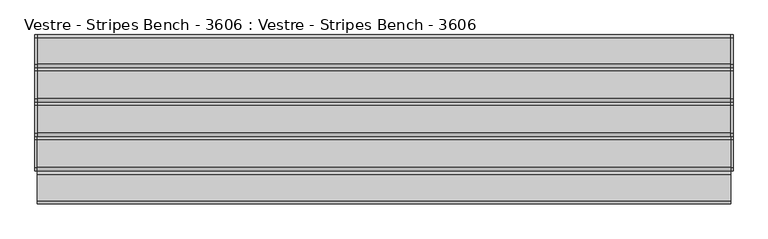
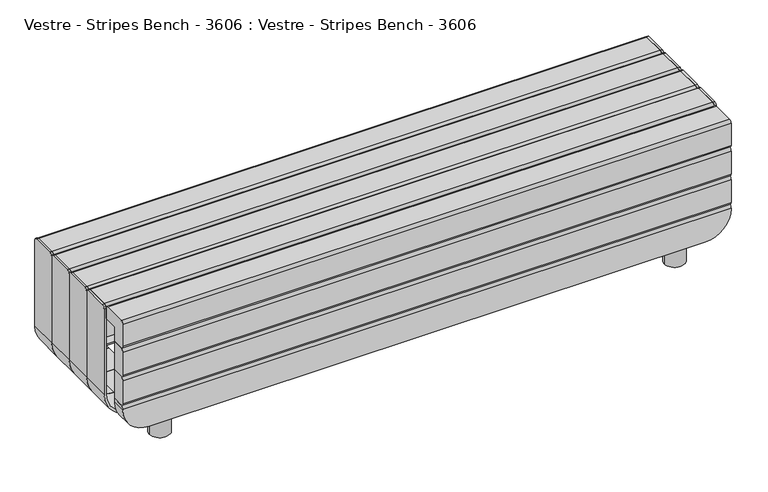
"""IFC4 building model written with IfcOpenShell, lengths in millimetres: furniture geometry, Vestre - Stripes Bench - 3606 : Vestre - Stripes Bench - 3606."""

from ifc_helpers import new_model, si_unit, point, frame, frame_2d, origin, origin_with_axes, place, context, project, spatial, polyline, circle_curve, trimmed, segment, composite_curve, outline, extrude, source, transform, mapped, element, save
from ifc_brep_helpers import plane_surface, cylinder_surface, revolved_surface, advanced_brep


def vestre_stripes_bench_3606_vestre_stripes_bench_3606_0bc6d64b(model_context):
    return source(origin(), model_context, "Body", "SolidModel", [
        extrude(outline(composite_curve([segment(trimmed(circle_curve(frame_2d((-748.3623867, 165.8822586)), 30.0), [point((-778.3623867, 165.8822586))], [point((-718.3623867, 165.8822586))], False, "CARTESIAN"), True, "CONTINUOUS"), segment(trimmed(circle_curve(frame_2d((-748.3623867, 165.8822586)), 30.0), [point((-718.3623867, 165.8822586))], [point((-778.3623867, 165.8822586))], False, "CARTESIAN"), True, "CONTINUOUS")], self_intersect=False)), origin_with_axes(), (0.0, 0.0, 1.0), 60.0000274),
        extrude(outline(composite_curve([segment(trimmed(circle_curve(frame_2d((-748.3623867, -165.8822586)), 30.0), [point((-778.3623867, -165.8822586))], [point((-718.3623867, -165.8822586))], False, "CARTESIAN"), True, "CONTINUOUS"), segment(trimmed(circle_curve(frame_2d((-748.3623867, -165.8822586)), 30.0), [point((-718.3623867, -165.8822586))], [point((-778.3623867, -165.8822586))], False, "CARTESIAN"), True, "CONTINUOUS")], self_intersect=False)), origin_with_axes(), (0.0, 0.0, 1.0), 60.0000274),
        extrude(outline(composite_curve([segment(trimmed(circle_curve(frame_2d((748.3623867, 165.8822586)), 30.0), [point((778.3623867, 165.8822586))], [point((718.3623867, 165.8822586))], False, "CARTESIAN"), True, "CONTINUOUS"), segment(trimmed(circle_curve(frame_2d((748.3623867, 165.8822586)), 30.0), [point((718.3623867, 165.8822586))], [point((778.3623867, 165.8822586))], False, "CARTESIAN"), True, "CONTINUOUS")], self_intersect=False)), origin_with_axes(), (0.0, 0.0, 1.0), 60.0000274),
        extrude(outline(composite_curve([segment(trimmed(circle_curve(frame_2d((748.3623867, -165.8822586)), 30.0), [point((778.3623867, -165.8822586))], [point((718.3623867, -165.8822586))], False, "CARTESIAN"), True, "CONTINUOUS"), segment(trimmed(circle_curve(frame_2d((748.3623867, -165.8822586)), 30.0), [point((718.3623867, -165.8822586))], [point((778.3623867, -165.8822586))], False, "CARTESIAN"), True, "CONTINUOUS")], self_intersect=False)), origin_with_axes(), (0.0, 0.0, 1.0), 60.0000274),
        advanced_brep(
        [(-890.0, 132.0, 140.0000274), (-810.0, 132.0, 60.0000274), (-723.4228799, 132.0, 60.0000274), (-723.4228799, 132.0, 66.0000274), (-809.0, 132.0, 66.0000274), (-884.0, 132.0, 141.0000274), (-884.0, 132.0, 403.9888108), (-890.0, 132.0, 403.9888108), (809.0262801, 132.0, 60.0000274), (890.0, 132.0, 140.9737473), (890.0, 132.0, 403.9888108), (884.0, 132.0, 403.9888108), (884.0, 132.0, 141.0000274), (809.0, 132.0, 66.0000274), (730.7574318, 132.0, 66.0000274), (730.7574318, 132.0, 60.0000274), (-884.0, 216.0, 141.0000274), (-809.0, 216.0, 66.0000274), (809.0, 216.0, 66.0000274), (884.0, 216.0, 141.0000274), (884.0, 216.0, 404.9807049), (890.0, 216.0, 404.9807049), (890.0, 216.0, 140.9737473), (809.0262801, 216.0, 60.0000274), (-810.0, 216.0, 60.0000274), (-890.0, 216.0, 140.0000274), (-890.0, 216.0, 404.9807049), (-884.0, 216.0, 404.9807049), (730.7574318, 150.6063449, 60.0000274), (-723.4228799, 150.6063449, 60.0000274), (890.0, 207.982791, 412.9979139), (890.0, 141.0091031, 412.9979139), (884.0, 141.0091031, 412.9979139), (884.0, 207.982791, 412.9979139), (-723.4228799, 150.6063449, 66.0000274), (730.7574318, 150.6063449, 66.0000274), (-884.0, 207.982791, 412.9979139), (-884.0, 141.0091031, 412.9979139), (-890.0, 141.0091031, 412.9979139), (-890.0, 207.982791, 412.9979139)],
        [
            (0, 1, circle_curve(frame((-810.0, 132.0, 140.0000274), z_axis=(0.0, -1.0, 0.0), x_axis=(1.0, 0.0, 0.0)), 80.0)),
            (1, 2),
            (2, 3),
            (3, 4),
            (4, 5, circle_curve(frame((-809.0, 132.0, 141.0000274), z_axis=(0.0, 1.0, 0.0), x_axis=(1.0, 0.0, 0.0)), 75.0)),
            (5, 6),
            (6, 7),
            (7, 0),
            (8, 9, circle_curve(frame((809.0262801, 132.0, 140.9737473), z_axis=(0.0, -1.0, 0.0), x_axis=(1.0, 0.0, 0.0)), 80.9737199)),
            (9, 10),
            (10, 11),
            (11, 12),
            (12, 13, circle_curve(frame((809.0, 132.0, 141.0000274), z_axis=(0.0, 1.0, 0.0), x_axis=(1.0, 0.0, 0.0)), 75.0)),
            (13, 14),
            (14, 15),
            (15, 8),
            (16, 17, circle_curve(frame((-809.0, 216.0, 141.0000274), z_axis=(0.0, -1.0, 0.0), x_axis=(1.0, 0.0, 0.0)), 75.0)),
            (17, 18),
            (18, 19, circle_curve(frame((809.0, 216.0, 141.0000274), z_axis=(0.0, -1.0, 0.0), x_axis=(1.0, 0.0, 0.0)), 75.0)),
            (19, 20),
            (20, 21),
            (21, 22),
            (22, 23, circle_curve(frame((809.0262801, 216.0, 140.9737473), z_axis=(0.0, 1.0, 0.0), x_axis=(1.0, 0.0, 0.0)), 80.9737199)),
            (23, 24),
            (24, 25, circle_curve(frame((-810.0, 216.0, 140.0000274), z_axis=(0.0, 1.0, 0.0), x_axis=(1.0, 0.0, 0.0)), 80.0)),
            (25, 26),
            (26, 27),
            (27, 16),
            (0, 25),
            (24, 1),
            (23, 8),
            (15, 28),
            (28, 29),
            (29, 2),
            (22, 9),
            (21, 30, circle_curve(frame((890.0, 207.982791, 404.9807049), z_axis=(1.0, 0.0, 0.0), x_axis=(0.0, 1.0, 0.0)), 8.017209)),
            (30, 31),
            (31, 10, circle_curve(frame((890.0, 141.0091031, 403.9888108), z_axis=(1.0, 0.0, 0.0), x_axis=(0.0, 1.0, 0.0)), 9.0091031)),
            (19, 12),
            (11, 32, circle_curve(frame((884.0, 141.0091031, 403.9888108), z_axis=(-1.0, 0.0, 0.0), x_axis=(0.0, 1.0, 0.0)), 9.0091031)),
            (32, 33),
            (33, 20, circle_curve(frame((884.0, 207.982791, 404.9807049), z_axis=(-1.0, 0.0, 0.0), x_axis=(0.0, 1.0, 0.0)), 8.017209)),
            (18, 13),
            (17, 4),
            (3, 34),
            (34, 35),
            (35, 14),
            (16, 5),
            (27, 36, circle_curve(frame((-884.0, 207.982791, 404.9807049), z_axis=(1.0, 0.0, 0.0), x_axis=(0.0, 1.0, 0.0)), 8.017209)),
            (36, 37),
            (37, 6, circle_curve(frame((-884.0, 141.0091031, 403.9888108), z_axis=(1.0, 0.0, 0.0), x_axis=(0.0, 1.0, 0.0)), 9.0091031)),
            (7, 38, circle_curve(frame((-890.0, 141.0091031, 403.9888108), z_axis=(-1.0, 0.0, 0.0), x_axis=(0.0, 1.0, 0.0)), 9.0091031)),
            (38, 39),
            (39, 26, circle_curve(frame((-890.0, 207.982791, 404.9807049), z_axis=(-1.0, 0.0, 0.0), x_axis=(0.0, 1.0, 0.0)), 8.017209)),
            (32, 31),
            (30, 33),
            (38, 37),
            (36, 39),
            (35, 28),
            (34, 29),
        ],
        [
            plane_surface(frame((-730.0, 132.0, 140.0000274), z_axis=(0.0, -1.0, 0.0), x_axis=(0.0, 0.0, 1.0))),
            plane_surface(frame((-730.0, 216.0, 140.0000274), z_axis=(0.0, 1.0, 0.0), x_axis=(0.0, 0.0, -1.0))),
            cylinder_surface(frame((-810.0, 216.0, 140.0000274), z_axis=(0.0, -1.0, 0.0), x_axis=(1.0, 0.0, 0.0)), 80.0),
            plane_surface(frame((-810.0, 132.0, 60.0000274), z_axis=(0.0, 0.0, -1.0), x_axis=(0.0, 1.0, 0.0))),
            cylinder_surface(frame((809.0262801, 216.0, 140.9737473), z_axis=(0.0, -1.0, 0.0), x_axis=(1.0, 0.0, 0.0)), 80.9737199),
            plane_surface(frame((890.0, 132.0, 140.9737473), z_axis=(1.0, 0.0, 0.0), x_axis=(0.0, 1.0, 0.0))),
            plane_surface(frame((884.0, 132.0, 415.1651333), z_axis=(-1.0, 0.0, 0.0), x_axis=(0.0, 1.0, 0.0))),
            revolved_surface(polyline([(884.0, 216.0, 141.0000274), (884.0, 132.0, 141.0000274)]), (809.0, 216.0, 141.0000274), (0.0, 1.0, 0.0)),
            plane_surface(frame((809.0, 132.0, 66.0000274), z_axis=(0.0, 0.0, 1.0), x_axis=(0.0, 1.0, 0.0))),
            revolved_surface(polyline([(-734.0, 216.0, 141.0000274), (-734.0, 132.0, 141.0000274)]), (-809.0, 216.0, 141.0000274), (0.0, 1.0, 0.0)),
            plane_surface(frame((-884.0, 132.0, 141.0000274), z_axis=(1.0, 0.0, 0.0), x_axis=(0.0, 1.0, 0.0))),
            plane_surface(frame((-890.0, 132.0, 416.0000274), z_axis=(-1.0, 0.0, 0.0), x_axis=(0.0, 1.0, 0.0))),
            plane_surface(frame((912.0976319, 141.0091031, 412.9979139), z_axis=(0.0, 0.0, 1.0), x_axis=(-1.0, 0.0, 0.0))),
            cylinder_surface(frame((-908.1810002, 207.982791, 404.9807049), z_axis=(-1.0, 0.0, 0.0), x_axis=(0.0, 1.0, 0.0)), 8.017209),
            cylinder_surface(frame((-908.1810002, 141.0091031, 403.9888108), z_axis=(-1.0, 0.0, 0.0), x_axis=(0.0, 1.0, 0.0)), 9.0091031),
            plane_surface(frame((730.7574318, -161.7936543, 82.4921718), z_axis=(-1.0, 0.0, 0.0), x_axis=(0.0, 0.0, -1.0))),
            plane_surface(frame((730.7574318, 150.6063449, 82.4921718), z_axis=(0.0, -1.0, 0.0), x_axis=(0.0, 0.0, -1.0))),
            plane_surface(frame((-723.4228799, 150.6063449, 82.4921718), z_axis=(1.0, 0.0, 0.0), x_axis=(0.0, 0.0, -1.0))),
        ],
        [
            (0, [[1, 2, 3, 4, 5, 6, 7, 8]]),
            (0, [[9, 10, 11, 12, 13, 14, 15, 16]]),
            (1, [[17, 18, 19, 20, 21, 22, 23, 24, 25, 26, 27, 28]]),
            (2, [[-1, 29, -25, 30]]),
            (3, [[-24, 31, -16, 32, 33, 34, -2, -30]]),
            (4, [[-9, -31, -23, 35]]),
            (5, [[-35, -22, 36, 37, 38, -10]]),
            (6, [[39, -12, 40, 41, 42, -20]]),
            (7, [[-13, -39, -19, 43]]),
            (8, [[-18, 44, -4, 45, 46, 47, -14, -43]]),
            (9, [[-5, -44, -17, 48]]),
            (10, [[-48, -28, 49, 50, 51, -6]]),
            (11, [[-29, -8, 52, 53, 54, -26]]),
            (12, [[55, -37, 56, -41]]),
            (12, [[57, -50, 58, -53]]),
            (13, [[-56, -36, -21, -42]]),
            (13, [[-58, -49, -27, -54]]),
            (14, [[-55, -40, -11, -38]]),
            (14, [[-57, -52, -7, -51]]),
            (15, [[59, -32, -15, -47]]),
            (16, [[-59, -46, 60, -33]]),
            (17, [[-60, -45, -3, -34]]),
        ],
    ),
        advanced_brep(
        [(-890.0, 44.0, 140.0000274), (-810.0, 44.0, 60.0000274), (-723.4228799, 44.0, 60.0000274), (-723.4228799, 44.0, 66.0000274), (-809.0, 44.0, 66.0000274), (-884.0, 44.0, 141.0000274), (-884.0, 44.0, 403.9888108), (-890.0, 44.0, 403.9888108), (-884.0, 132.0, 141.0000274), (-809.0, 132.0, 66.0000274), (-723.4228799, 132.0, 66.0000274), (-723.4228799, 132.0, 60.0000274), (-810.0, 132.0, 60.0000274), (-890.0, 132.0, 140.0000274), (-890.0, 132.0, 403.9888108), (-890.0, 132.0, 404.9807049), (-884.0, 132.0, 404.9807049), (-884.0, 132.0, 403.9888108), (-884.0, 123.982791, 412.9979139), (-884.0, 53.0091031, 412.9979139), (-890.0, 53.0091031, 412.9979139), (-890.0, 123.982791, 412.9979139)],
        [
            (0, 1, circle_curve(frame((-810.0, 44.0, 140.0000274), z_axis=(0.0, -1.0, 0.0), x_axis=(1.0, 0.0, 0.0)), 80.0)),
            (1, 2),
            (2, 3),
            (3, 4),
            (4, 5, circle_curve(frame((-809.0, 44.0, 141.0000274), z_axis=(0.0, 1.0, 0.0), x_axis=(1.0, 0.0, 0.0)), 75.0)),
            (5, 6),
            (6, 7),
            (7, 0),
            (8, 9, circle_curve(frame((-809.0, 132.0, 141.0000274), z_axis=(0.0, -1.0, 0.0), x_axis=(1.0, 0.0, 0.0)), 75.0)),
            (9, 10),
            (10, 11),
            (11, 12),
            (12, 13, circle_curve(frame((-810.0, 132.0, 140.0000274), z_axis=(0.0, 1.0, 0.0), x_axis=(1.0, 0.0, 0.0)), 80.0)),
            (13, 14),
            (14, 15),
            (15, 16),
            (16, 17),
            (17, 8),
            (0, 13),
            (12, 1),
            (11, 2),
            (9, 4),
            (3, 10),
            (8, 5),
            (16, 18, circle_curve(frame((-884.0, 123.982791, 404.9807049), z_axis=(1.0, 0.0, 0.0), x_axis=(0.0, 1.0, 0.0)), 8.017209)),
            (18, 19),
            (19, 6, circle_curve(frame((-884.0, 53.0091031, 403.9888108), z_axis=(1.0, 0.0, 0.0), x_axis=(0.0, 1.0, 0.0)), 9.0091031)),
            (7, 20, circle_curve(frame((-890.0, 53.0091031, 403.9888108), z_axis=(-1.0, 0.0, 0.0), x_axis=(0.0, 1.0, 0.0)), 9.0091031)),
            (20, 21),
            (21, 15, circle_curve(frame((-890.0, 123.982791, 404.9807049), z_axis=(-1.0, 0.0, 0.0), x_axis=(0.0, 1.0, 0.0)), 8.017209)),
            (20, 19),
            (18, 21),
        ],
        [
            plane_surface(frame((-730.0, 44.0, 140.0000274), z_axis=(0.0, -1.0, 0.0), x_axis=(0.0, 0.0, 1.0))),
            plane_surface(frame((-730.0, 132.0, 140.0000274), z_axis=(0.0, 1.0, 0.0), x_axis=(0.0, 0.0, -1.0))),
            cylinder_surface(frame((-810.0, 132.0, 140.0000274), z_axis=(0.0, -1.0, 0.0), x_axis=(1.0, 0.0, 0.0)), 80.0),
            plane_surface(frame((-810.0, 44.0, 60.0000274), z_axis=(0.0, 0.0, -1.0), x_axis=(0.0, 1.0, 0.0))),
            plane_surface(frame((809.0, 44.0, 66.0000274), z_axis=(0.0, 0.0, 1.0), x_axis=(0.0, 1.0, 0.0))),
            revolved_surface(polyline([(-734.0, 132.0, 141.0000274), (-734.0, 44.0, 141.0000274)]), (-809.0, 132.0, 141.0000274), (0.0, 1.0, 0.0)),
            plane_surface(frame((-884.0, 44.0, 141.0000274), z_axis=(1.0, 0.0, 0.0), x_axis=(0.0, 1.0, 0.0))),
            plane_surface(frame((-890.0, 44.0, 416.0000274), z_axis=(-1.0, 0.0, 0.0), x_axis=(0.0, 1.0, 0.0))),
            plane_surface(frame((912.0976319, 53.0091031, 412.9979139), z_axis=(0.0, 0.0, 1.0), x_axis=(-1.0, 0.0, 0.0))),
            cylinder_surface(frame((-908.1810002, 123.982791, 404.9807049), z_axis=(-1.0, 0.0, 0.0), x_axis=(0.0, 1.0, 0.0)), 8.017209),
            cylinder_surface(frame((-908.1810002, 53.0091031, 403.9888108), z_axis=(-1.0, 0.0, 0.0), x_axis=(0.0, 1.0, 0.0)), 9.0091031),
            plane_surface(frame((-723.4228799, 150.6063449, 82.4921718), z_axis=(1.0, 0.0, 0.0), x_axis=(0.0, 0.0, -1.0))),
        ],
        [
            (0, [[1, 2, 3, 4, 5, 6, 7, 8]]),
            (1, [[9, 10, 11, 12, 13, 14, 15, 16, 17, 18]]),
            (2, [[-1, 19, -13, 20]]),
            (3, [[-20, -12, 21, -2]]),
            (4, [[22, -4, 23, -10]]),
            (5, [[-5, -22, -9, 24]]),
            (6, [[-24, -18, -17, 25, 26, 27, -6]]),
            (7, [[-19, -8, 28, 29, 30, -15, -14]]),
            (8, [[31, -26, 32, -29]]),
            (9, [[-32, -25, -16, -30]]),
            (10, [[-31, -28, -7, -27]]),
            (11, [[-3, -21, -11, -23]]),
        ],
    ),
        advanced_brep(
        [(809.0262801, 44.0, 60.0000274), (890.0, 44.0, 140.9737473), (890.0, 44.0, 403.9888108), (884.0, 44.0, 403.9888108), (884.0, 44.0, 141.0000274), (809.0, 44.0, 66.0000274), (730.7574318, 44.0, 66.0000274), (730.7574318, 44.0, 60.0000274), (809.0, 132.0, 66.0000274), (884.0, 132.0, 141.0000274), (884.0, 132.0, 403.9888108), (884.0, 132.0, 404.9807049), (890.0, 132.0, 404.9807049), (890.0, 132.0, 403.9888108), (890.0, 132.0, 140.9737473), (809.0262801, 132.0, 60.0000274), (730.7574318, 132.0, 60.0000274), (730.7574318, 132.0, 66.0000274), (890.0, 123.982791, 412.9979139), (890.0, 53.0091031, 412.9979139), (884.0, 53.0091031, 412.9979139), (884.0, 123.982791, 412.9979139)],
        [
            (0, 1, circle_curve(frame((809.0262801, 44.0, 140.9737473), z_axis=(0.0, -1.0, 0.0), x_axis=(1.0, 0.0, 0.0)), 80.9737199)),
            (1, 2),
            (2, 3),
            (3, 4),
            (4, 5, circle_curve(frame((809.0, 44.0, 141.0000274), z_axis=(0.0, 1.0, 0.0), x_axis=(1.0, 0.0, 0.0)), 75.0)),
            (5, 6),
            (6, 7),
            (7, 0),
            (8, 9, circle_curve(frame((809.0, 132.0, 141.0000274), z_axis=(0.0, -1.0, 0.0), x_axis=(1.0, 0.0, 0.0)), 75.0)),
            (9, 10),
            (10, 11),
            (11, 12),
            (12, 13),
            (13, 14),
            (14, 15, circle_curve(frame((809.0262801, 132.0, 140.9737473), z_axis=(0.0, 1.0, 0.0), x_axis=(1.0, 0.0, 0.0)), 80.9737199)),
            (15, 16),
            (16, 17),
            (17, 8),
            (15, 0),
            (7, 16),
            (14, 1),
            (12, 18, circle_curve(frame((890.0, 123.982791, 404.9807049), z_axis=(1.0, 0.0, 0.0), x_axis=(0.0, 1.0, 0.0)), 8.017209)),
            (18, 19),
            (19, 2, circle_curve(frame((890.0, 53.0091031, 403.9888108), z_axis=(1.0, 0.0, 0.0), x_axis=(0.0, 1.0, 0.0)), 9.0091031)),
            (9, 4),
            (3, 20, circle_curve(frame((884.0, 53.0091031, 403.9888108), z_axis=(-1.0, 0.0, 0.0), x_axis=(0.0, 1.0, 0.0)), 9.0091031)),
            (20, 21),
            (21, 11, circle_curve(frame((884.0, 123.982791, 404.9807049), z_axis=(-1.0, 0.0, 0.0), x_axis=(0.0, 1.0, 0.0)), 8.017209)),
            (8, 5),
            (17, 6),
            (20, 19),
            (18, 21),
        ],
        [
            plane_surface(frame((-730.0, 44.0, 140.0000274), z_axis=(0.0, -1.0, 0.0), x_axis=(0.0, 0.0, 1.0))),
            plane_surface(frame((-730.0, 132.0, 140.0000274), z_axis=(0.0, 1.0, 0.0), x_axis=(0.0, 0.0, -1.0))),
            plane_surface(frame((-810.0, 44.0, 60.0000274), z_axis=(0.0, 0.0, -1.0), x_axis=(0.0, 1.0, 0.0))),
            cylinder_surface(frame((809.0262801, 132.0, 140.9737473), z_axis=(0.0, -1.0, 0.0), x_axis=(1.0, 0.0, 0.0)), 80.9737199),
            plane_surface(frame((890.0, 44.0, 140.9737473), z_axis=(1.0, 0.0, 0.0), x_axis=(0.0, 1.0, 0.0))),
            plane_surface(frame((884.0, 44.0, 415.1651333), z_axis=(-1.0, 0.0, 0.0), x_axis=(0.0, 1.0, 0.0))),
            revolved_surface(polyline([(884.0, 132.0, 141.0000274), (884.0, 44.0, 141.0000274)]), (809.0, 132.0, 141.0000274), (0.0, 1.0, 0.0)),
            plane_surface(frame((809.0, 44.0, 66.0000274), z_axis=(0.0, 0.0, 1.0), x_axis=(0.0, 1.0, 0.0))),
            plane_surface(frame((912.0976319, 53.0091031, 412.9979139), z_axis=(0.0, 0.0, 1.0), x_axis=(-1.0, 0.0, 0.0))),
            cylinder_surface(frame((-908.1810002, 123.982791, 404.9807049), z_axis=(-1.0, 0.0, 0.0), x_axis=(0.0, 1.0, 0.0)), 8.017209),
            cylinder_surface(frame((-908.1810002, 53.0091031, 403.9888108), z_axis=(-1.0, 0.0, 0.0), x_axis=(0.0, 1.0, 0.0)), 9.0091031),
            plane_surface(frame((730.7574318, -161.7936543, 82.4921718), z_axis=(-1.0, 0.0, 0.0), x_axis=(0.0, 0.0, -1.0))),
        ],
        [
            (0, [[1, 2, 3, 4, 5, 6, 7, 8]]),
            (1, [[9, 10, 11, 12, 13, 14, 15, 16, 17, 18]]),
            (2, [[19, -8, 20, -16]]),
            (3, [[-1, -19, -15, 21]]),
            (4, [[-21, -14, -13, 22, 23, 24, -2]]),
            (5, [[25, -4, 26, 27, 28, -11, -10]]),
            (6, [[-5, -25, -9, 29]]),
            (7, [[-29, -18, 30, -6]]),
            (8, [[31, -23, 32, -27]]),
            (9, [[-32, -22, -12, -28]]),
            (10, [[-31, -26, -3, -24]]),
            (11, [[-7, -30, -17, -20]]),
        ],
    ),
        advanced_brep(
        [(-890.0, -44.0, 140.0000274), (-810.0, -44.0, 60.0000274), (-723.4228799, -44.0, 60.0000274), (-723.4228799, -44.0, 66.0000274), (-809.0, -44.0, 66.0000274), (-884.0, -44.0, 141.0000274), (-884.0, -44.0, 403.9888108), (-890.0, -44.0, 403.9888108), (-884.0, 44.0, 141.0000274), (-809.0, 44.0, 66.0000274), (-723.4228799, 44.0, 66.0000274), (-723.4228799, 44.0, 60.0000274), (-810.0, 44.0, 60.0000274), (-890.0, 44.0, 140.0000274), (-890.0, 44.0, 403.9888108), (-890.0, 44.0, 404.9807049), (-884.0, 44.0, 404.9807049), (-884.0, 44.0, 403.9888108), (-884.0, 35.982791, 412.9979139), (-884.0, -34.9908969, 412.9979139), (-890.0, -34.9908969, 412.9979139), (-890.0, 35.982791, 412.9979139)],
        [
            (0, 1, circle_curve(frame((-810.0, -44.0, 140.0000274), z_axis=(0.0, -1.0, 0.0), x_axis=(1.0, 0.0, 0.0)), 80.0)),
            (1, 2),
            (2, 3),
            (3, 4),
            (4, 5, circle_curve(frame((-809.0, -44.0, 141.0000274), z_axis=(0.0, 1.0, 0.0), x_axis=(1.0, 0.0, 0.0)), 75.0)),
            (5, 6),
            (6, 7),
            (7, 0),
            (8, 9, circle_curve(frame((-809.0, 44.0, 141.0000274), z_axis=(0.0, -1.0, 0.0), x_axis=(1.0, 0.0, 0.0)), 75.0)),
            (9, 10),
            (10, 11),
            (11, 12),
            (12, 13, circle_curve(frame((-810.0, 44.0, 140.0000274), z_axis=(0.0, 1.0, 0.0), x_axis=(1.0, 0.0, 0.0)), 80.0)),
            (13, 14),
            (14, 15),
            (15, 16),
            (16, 17),
            (17, 8),
            (0, 13),
            (12, 1),
            (11, 2),
            (9, 4),
            (3, 10),
            (8, 5),
            (16, 18, circle_curve(frame((-884.0, 35.982791, 404.9807049), z_axis=(1.0, 0.0, 0.0), x_axis=(0.0, 1.0, 0.0)), 8.017209)),
            (18, 19),
            (19, 6, circle_curve(frame((-884.0, -34.9908969, 403.9888108), z_axis=(1.0, 0.0, 0.0), x_axis=(0.0, 1.0, 0.0)), 9.0091031)),
            (7, 20, circle_curve(frame((-890.0, -34.9908969, 403.9888108), z_axis=(-1.0, 0.0, 0.0), x_axis=(0.0, 1.0, 0.0)), 9.0091031)),
            (20, 21),
            (21, 15, circle_curve(frame((-890.0, 35.982791, 404.9807049), z_axis=(-1.0, 0.0, 0.0), x_axis=(0.0, 1.0, 0.0)), 8.017209)),
            (20, 19),
            (18, 21),
        ],
        [
            plane_surface(frame((-730.0, -44.0, 140.0000274), z_axis=(0.0, -1.0, 0.0), x_axis=(0.0, 0.0, 1.0))),
            plane_surface(frame((-730.0, 44.0, 140.0000274), z_axis=(0.0, 1.0, 0.0), x_axis=(0.0, 0.0, -1.0))),
            cylinder_surface(frame((-810.0, 44.0, 140.0000274), z_axis=(0.0, -1.0, 0.0), x_axis=(1.0, 0.0, 0.0)), 80.0),
            plane_surface(frame((-810.0, -44.0, 60.0000274), z_axis=(0.0, 0.0, -1.0), x_axis=(0.0, 1.0, 0.0))),
            plane_surface(frame((809.0, -44.0, 66.0000274), z_axis=(0.0, 0.0, 1.0), x_axis=(0.0, 1.0, 0.0))),
            revolved_surface(polyline([(-734.0, 44.0, 141.0000274), (-734.0, -44.0, 141.0000274)]), (-809.0, 44.0, 141.0000274), (0.0, 1.0, 0.0)),
            plane_surface(frame((-884.0, -44.0, 141.0000274), z_axis=(1.0, 0.0, 0.0), x_axis=(0.0, 1.0, 0.0))),
            plane_surface(frame((-890.0, -44.0, 416.0000274), z_axis=(-1.0, 0.0, 0.0), x_axis=(0.0, 1.0, 0.0))),
            plane_surface(frame((912.0976319, -34.9908969, 412.9979139), z_axis=(0.0, 0.0, 1.0), x_axis=(-1.0, 0.0, 0.0))),
            cylinder_surface(frame((-908.1810002, 35.982791, 404.9807049), z_axis=(-1.0, 0.0, 0.0), x_axis=(0.0, 1.0, 0.0)), 8.017209),
            cylinder_surface(frame((-908.1810002, -34.9908969, 403.9888108), z_axis=(-1.0, 0.0, 0.0), x_axis=(0.0, 1.0, 0.0)), 9.0091031),
            plane_surface(frame((-723.4228799, 150.6063449, 82.4921718), z_axis=(1.0, 0.0, 0.0), x_axis=(0.0, 0.0, -1.0))),
        ],
        [
            (0, [[1, 2, 3, 4, 5, 6, 7, 8]]),
            (1, [[9, 10, 11, 12, 13, 14, 15, 16, 17, 18]]),
            (2, [[-1, 19, -13, 20]]),
            (3, [[-20, -12, 21, -2]]),
            (4, [[22, -4, 23, -10]]),
            (5, [[-5, -22, -9, 24]]),
            (6, [[-24, -18, -17, 25, 26, 27, -6]]),
            (7, [[-19, -8, 28, 29, 30, -15, -14]]),
            (8, [[31, -26, 32, -29]]),
            (9, [[-32, -25, -16, -30]]),
            (10, [[-31, -28, -7, -27]]),
            (11, [[-3, -21, -11, -23]]),
        ],
    ),
        advanced_brep(
        [(809.0262801, -44.0, 60.0000274), (890.0, -44.0, 140.9737473), (890.0, -44.0, 403.9888108), (884.0, -44.0, 403.9888108), (884.0, -44.0, 141.0000274), (809.0, -44.0, 66.0000274), (730.7574318, -44.0, 66.0000274), (730.7574318, -44.0, 60.0000274), (809.0, 44.0, 66.0000274), (884.0, 44.0, 141.0000274), (884.0, 44.0, 403.9888108), (884.0, 44.0, 404.9807049), (890.0, 44.0, 404.9807049), (890.0, 44.0, 403.9888108), (890.0, 44.0, 140.9737473), (809.0262801, 44.0, 60.0000274), (730.7574318, 44.0, 60.0000274), (730.7574318, 44.0, 66.0000274), (890.0, 35.982791, 412.9979139), (890.0, -34.9908969, 412.9979139), (884.0, -34.9908969, 412.9979139), (884.0, 35.982791, 412.9979139)],
        [
            (0, 1, circle_curve(frame((809.0262801, -44.0, 140.9737473), z_axis=(0.0, -1.0, 0.0), x_axis=(1.0, 0.0, 0.0)), 80.9737199)),
            (1, 2),
            (2, 3),
            (3, 4),
            (4, 5, circle_curve(frame((809.0, -44.0, 141.0000274), z_axis=(0.0, 1.0, 0.0), x_axis=(1.0, 0.0, 0.0)), 75.0)),
            (5, 6),
            (6, 7),
            (7, 0),
            (8, 9, circle_curve(frame((809.0, 44.0, 141.0000274), z_axis=(0.0, -1.0, 0.0), x_axis=(1.0, 0.0, 0.0)), 75.0)),
            (9, 10),
            (10, 11),
            (11, 12),
            (12, 13),
            (13, 14),
            (14, 15, circle_curve(frame((809.0262801, 44.0, 140.9737473), z_axis=(0.0, 1.0, 0.0), x_axis=(1.0, 0.0, 0.0)), 80.9737199)),
            (15, 16),
            (16, 17),
            (17, 8),
            (15, 0),
            (7, 16),
            (14, 1),
            (12, 18, circle_curve(frame((890.0, 35.982791, 404.9807049), z_axis=(1.0, 0.0, 0.0), x_axis=(0.0, 1.0, 0.0)), 8.017209)),
            (18, 19),
            (19, 2, circle_curve(frame((890.0, -34.9908969, 403.9888108), z_axis=(1.0, 0.0, 0.0), x_axis=(0.0, 1.0, 0.0)), 9.0091031)),
            (9, 4),
            (3, 20, circle_curve(frame((884.0, -34.9908969, 403.9888108), z_axis=(-1.0, 0.0, 0.0), x_axis=(0.0, 1.0, 0.0)), 9.0091031)),
            (20, 21),
            (21, 11, circle_curve(frame((884.0, 35.982791, 404.9807049), z_axis=(-1.0, 0.0, 0.0), x_axis=(0.0, 1.0, 0.0)), 8.017209)),
            (8, 5),
            (17, 6),
            (20, 19),
            (18, 21),
        ],
        [
            plane_surface(frame((-730.0, -44.0, 140.0000274), z_axis=(0.0, -1.0, 0.0), x_axis=(0.0, 0.0, 1.0))),
            plane_surface(frame((-730.0, 44.0, 140.0000274), z_axis=(0.0, 1.0, 0.0), x_axis=(0.0, 0.0, -1.0))),
            plane_surface(frame((-810.0, -44.0, 60.0000274), z_axis=(0.0, 0.0, -1.0), x_axis=(0.0, 1.0, 0.0))),
            cylinder_surface(frame((809.0262801, 44.0, 140.9737473), z_axis=(0.0, -1.0, 0.0), x_axis=(1.0, 0.0, 0.0)), 80.9737199),
            plane_surface(frame((890.0, -44.0, 140.9737473), z_axis=(1.0, 0.0, 0.0), x_axis=(0.0, 1.0, 0.0))),
            plane_surface(frame((884.0, -44.0, 415.1651333), z_axis=(-1.0, 0.0, 0.0), x_axis=(0.0, 1.0, 0.0))),
            revolved_surface(polyline([(884.0, 44.0, 141.0000274), (884.0, -44.0, 141.0000274)]), (809.0, 44.0, 141.0000274), (0.0, 1.0, 0.0)),
            plane_surface(frame((809.0, -44.0, 66.0000274), z_axis=(0.0, 0.0, 1.0), x_axis=(0.0, 1.0, 0.0))),
            plane_surface(frame((912.0976319, -34.9908969, 412.9979139), z_axis=(0.0, 0.0, 1.0), x_axis=(-1.0, 0.0, 0.0))),
            cylinder_surface(frame((-908.1810002, 35.982791, 404.9807049), z_axis=(-1.0, 0.0, 0.0), x_axis=(0.0, 1.0, 0.0)), 8.017209),
            cylinder_surface(frame((-908.1810002, -34.9908969, 403.9888108), z_axis=(-1.0, 0.0, 0.0), x_axis=(0.0, 1.0, 0.0)), 9.0091031),
            plane_surface(frame((730.7574318, -161.7936543, 82.4921718), z_axis=(-1.0, 0.0, 0.0), x_axis=(0.0, 0.0, -1.0))),
        ],
        [
            (0, [[1, 2, 3, 4, 5, 6, 7, 8]]),
            (1, [[9, 10, 11, 12, 13, 14, 15, 16, 17, 18]]),
            (2, [[19, -8, 20, -16]]),
            (3, [[-1, -19, -15, 21]]),
            (4, [[-21, -14, -13, 22, 23, 24, -2]]),
            (5, [[25, -4, 26, 27, 28, -11, -10]]),
            (6, [[-5, -25, -9, 29]]),
            (7, [[-29, -18, 30, -6]]),
            (8, [[31, -23, 32, -27]]),
            (9, [[-32, -22, -12, -28]]),
            (10, [[-31, -26, -3, -24]]),
            (11, [[-7, -30, -17, -20]]),
        ],
    ),
        advanced_brep(
        [(-884.0, -216.0, 141.0000274), (-884.0, -176.0082307, 141.0000274), (-809.0, -176.0082307, 66.0000274), (-809.0, -216.0, 66.0000274), (-884.0, -206.9908969, 152.9979139), (-884.0, -176.0082307, 152.9979139), (-884.0, -216.0, 143.9888108), (884.0, -206.9908969, 152.9979139), (884.0, -216.0, 143.9888108), (884.0, -216.0, 141.0000274), (884.0, -176.0082307, 141.0000274), (884.0, -176.0082307, 152.9979139), (809.0, -216.0, 66.0000274), (809.0, -176.0082307, 66.0000274)],
        [
            (0, 1),
            (1, 2, circle_curve(frame((-809.0, -176.0082307, 141.0000274), z_axis=(0.0, -1.0, 0.0), x_axis=(1.0, 0.0, 0.0)), 75.0)),
            (2, 3),
            (3, 0, circle_curve(frame((-809.0, -216.0, 141.0000274), z_axis=(0.0, 1.0, 0.0), x_axis=(1.0, 0.0, 0.0)), 75.0)),
            (4, 5),
            (5, 1),
            (0, 6),
            (6, 4, circle_curve(frame((-884.0, -206.9908969, 143.9888108), z_axis=(-1.0, 0.0, 0.0), x_axis=(0.0, 0.0, -1.0)), 9.0091031)),
            (7, 8, circle_curve(frame((884.0, -206.9908969, 143.9888108), z_axis=(1.0, 0.0, 0.0), x_axis=(0.0, 0.0, -1.0)), 9.0091031)),
            (8, 9),
            (9, 10),
            (10, 11),
            (11, 7),
            (6, 8),
            (7, 4),
            (3, 12),
            (12, 9, circle_curve(frame((809.0, -216.0, 141.0000274), z_axis=(0.0, -1.0, 0.0), x_axis=(1.0, 0.0, 0.0)), 75.0)),
            (2, 13),
            (13, 12),
            (5, 11),
            (10, 13, circle_curve(frame((809.0, -176.0082307, 141.0000274), z_axis=(0.0, 1.0, 0.0), x_axis=(1.0, 0.0, 0.0)), 75.0)),
        ],
        [
            cylinder_surface(frame((-809.0, 235.0336942, 141.0000274), z_axis=(0.0, 1.0, 0.0), x_axis=(1.0, 0.0, 0.0)), 75.0),
            plane_surface(frame((-884.0, -176.0082307, 152.9979139), z_axis=(-1.0, 0.0, 0.0), x_axis=(0.0, 1.0, 0.0))),
            plane_surface(frame((884.0, -176.0082307, 152.9979139), z_axis=(1.0, 0.0, 0.0), x_axis=(0.0, -1.0, 0.0))),
            cylinder_surface(frame((884.0, -206.9908969, 143.9888108), z_axis=(-1.0, 0.0, 0.0), x_axis=(0.0, 0.0, -1.0)), 9.0091031),
            plane_surface(frame((-884.0, -216.0, 66.0000274), z_axis=(0.0, -1.0, 0.0), x_axis=(1.0, 0.0, 0.0))),
            plane_surface(frame((-884.0, -176.0082307, 66.0000274), z_axis=(0.0, 0.0, -1.0), x_axis=(1.0, 0.0, 0.0))),
            plane_surface(frame((-884.0, -176.0082307, 152.9979139), z_axis=(0.0, 1.0, 0.0), x_axis=(1.0, 0.0, 0.0))),
            plane_surface(frame((-884.0, -206.9908969, 152.9979139), z_axis=(0.0, 0.0, 1.0), x_axis=(1.0, 0.0, 0.0))),
            cylinder_surface(frame((809.0, 235.0336942, 141.0000274), z_axis=(0.0, 1.0, 0.0), x_axis=(1.0, 0.0, 0.0)), 75.0),
        ],
        [
            (0, [[1, 2, 3, 4]]),
            (1, [[5, 6, -1, 7, 8]]),
            (2, [[9, 10, 11, 12, 13]]),
            (3, [[-8, 14, -9, 15]]),
            (4, [[-14, -7, -4, 16, 17, -10]]),
            (5, [[-3, 18, 19, -16]]),
            (6, [[20, -12, 21, -18, -2, -6]]),
            (7, [[-5, -15, -13, -20]]),
            (8, [[-11, -17, -19, -21]]),
        ],
    ),
        extrude(outline(composite_curve([segment(polyline([(-206.9908969, 240.9979139), (-176.0082307, 240.9979139), (-176.0082307, 152.9979139), (-207.982791, 152.9979139)]), True, "CONTINUOUS"), segment(trimmed(circle_curve(frame_2d((-207.982791, 161.0151229)), 8.017209), [point((-207.982791, 152.9979139))], [point((-216.0, 161.0151229))], False, "CARTESIAN"), True, "CONTINUOUS"), segment(polyline([(-216.0, 161.0151229), (-216.0, 231.9888108)]), True, "CONTINUOUS"), segment(trimmed(circle_curve(frame_2d((-206.9908969, 231.9888108)), 9.0091031), [point((-216.0, 231.9888108))], [point((-206.9908969, 240.9979139))], False, "CARTESIAN"), True, "CONTINUOUS")], self_intersect=False)), frame((-884.0, 0.0, 0.0), z_axis=(1.0, 0.0, 0.0), x_axis=(0.0, 1.0, 0.0)), (0.0, 0.0, 1.0), 1768.0),
        extrude(outline(composite_curve([segment(polyline([(-206.9908969, 329.0126438), (-176.0082307, 329.0126438), (-176.0082307, 240.9979139), (-207.982791, 240.9979139)]), True, "CONTINUOUS"), segment(trimmed(circle_curve(frame_2d((-207.982791, 249.0151229)), 8.017209), [point((-207.982791, 240.9979139))], [point((-216.0, 249.0151229))], False, "CARTESIAN"), True, "CONTINUOUS"), segment(polyline([(-216.0, 249.0151229), (-216.0, 320.0035408)]), True, "CONTINUOUS"), segment(trimmed(circle_curve(frame_2d((-206.9908969, 320.0035408)), 9.0091031), [point((-216.0, 320.0035408))], [point((-206.9908969, 329.0126438))], False, "CARTESIAN"), True, "CONTINUOUS")], self_intersect=False)), frame((-884.0, 0.0, 0.0), z_axis=(1.0, 0.0, 0.0), x_axis=(0.0, 1.0, 0.0)), (0.0, 0.0, 1.0), 1768.0),
        extrude(outline(composite_curve([segment(polyline([(44.0, 373.0061446), (44.0, 403.9888108)]), True, "CONTINUOUS"), segment(trimmed(circle_curve(frame_2d((53.0091031, 403.9888108)), 9.0091031), [point((44.0, 403.9888108))], [point((53.0091031, 412.9979139))], False, "CARTESIAN"), True, "CONTINUOUS"), segment(polyline([(53.0091031, 412.9979139), (123.982791, 412.9979139)]), True, "CONTINUOUS"), segment(trimmed(circle_curve(frame_2d((123.982791, 404.9807049)), 8.017209), [point((123.982791, 412.9979139))], [point((132.0, 404.9807049))], False, "CARTESIAN"), True, "CONTINUOUS"), segment(polyline([(132.0, 404.9807049), (132.0, 373.0061446), (44.0, 373.0061446)]), True, "CONTINUOUS")], self_intersect=False)), frame((-884.0, 0.0, 0.0), z_axis=(1.0, 0.0, 0.0), x_axis=(0.0, 1.0, 0.0)), (0.0, 0.0, 1.0), 1768.0),
        extrude(outline(composite_curve([segment(polyline([(-132.0, 373.0061446), (-132.0, 403.9888108)]), True, "CONTINUOUS"), segment(trimmed(circle_curve(frame_2d((-122.9908969, 403.9888108)), 9.0091031), [point((-132.0, 403.9888108))], [point((-122.9908969, 412.9979139))], False, "CARTESIAN"), True, "CONTINUOUS"), segment(polyline([(-122.9908969, 412.9979139), (-52.017209, 412.9979139)]), True, "CONTINUOUS"), segment(trimmed(circle_curve(frame_2d((-52.017209, 404.9807049)), 8.017209), [point((-52.017209, 412.9979139))], [point((-44.0, 404.9807049))], False, "CARTESIAN"), True, "CONTINUOUS"), segment(polyline([(-44.0, 404.9807049), (-44.0, 373.0061446), (-132.0, 373.0061446)]), True, "CONTINUOUS")], self_intersect=False)), frame((-884.0, 0.0, 0.0), z_axis=(1.0, 0.0, 0.0), x_axis=(0.0, 1.0, 0.0)), (0.0, 0.0, 1.0), 1768.0),
        extrude(outline(composite_curve([segment(polyline([(-216.0, 337.0298528), (-216.0, 404.9807049)]), True, "CONTINUOUS"), segment(trimmed(circle_curve(frame_2d((-207.982791, 404.9807049)), 8.017209), [point((-216.0, 404.9807049))], [point((-207.982791, 412.9979139))], False, "CARTESIAN"), True, "CONTINUOUS"), segment(polyline([(-207.982791, 412.9979139), (-141.0091031, 412.9979139)]), True, "CONTINUOUS"), segment(trimmed(circle_curve(frame_2d((-141.0091031, 403.9888108)), 9.0091031), [point((-141.0091031, 412.9979139))], [point((-132.0, 403.9888108))], False, "CARTESIAN"), True, "CONTINUOUS"), segment(polyline([(-132.0, 403.9888108), (-132.0, 373.0061446), (-176.0, 373.0061446), (-176.0, 329.0126438), (-207.982791, 329.0126438)]), True, "CONTINUOUS"), segment(trimmed(circle_curve(frame_2d((-207.982791, 337.0298528)), 8.017209), [point((-207.982791, 329.0126438))], [point((-216.0, 337.0298528))], False, "CARTESIAN"), True, "CONTINUOUS")], self_intersect=False)), frame((-884.0, 0.0, 0.0), z_axis=(1.0, 0.0, 0.0), x_axis=(0.0, 1.0, 0.0)), (0.0, 0.0, 1.0), 1768.0),
        extrude(outline(composite_curve([segment(polyline([(-44.0, 373.0061446), (-44.0, 403.9888108)]), True, "CONTINUOUS"), segment(trimmed(circle_curve(frame_2d((-34.9908969, 403.9888108)), 9.0091031), [point((-44.0, 403.9888108))], [point((-34.9908969, 412.9979139))], False, "CARTESIAN"), True, "CONTINUOUS"), segment(polyline([(-34.9908969, 412.9979139), (35.982791, 412.9979139)]), True, "CONTINUOUS"), segment(trimmed(circle_curve(frame_2d((35.982791, 404.9807049)), 8.017209), [point((35.982791, 412.9979139))], [point((44.0, 404.9807049))], False, "CARTESIAN"), True, "CONTINUOUS"), segment(polyline([(44.0, 404.9807049), (44.0, 373.0061446), (-44.0, 373.0061446)]), True, "CONTINUOUS")], self_intersect=False)), frame((-884.0, 0.0, 0.0), z_axis=(1.0, 0.0, 0.0), x_axis=(0.0, 1.0, 0.0)), (0.0, 0.0, 1.0), 1768.0),
        advanced_brep(
        [(-884.0, 206.9908969, 152.9979139), (-884.0, 216.0, 143.9888108), (-884.0, 216.0, 141.0000274), (-884.0, 176.0082307, 141.0000274), (-884.0, 176.0082307, 152.9979139), (884.0, 206.9908969, 152.9979139), (884.0, 176.0082307, 152.9979139), (884.0, 176.0082307, 141.0000274), (884.0, 216.0, 141.0000274), (884.0, 216.0, 143.9888108), (809.0, 216.0, 66.0000274), (-809.0, 216.0, 66.0000274), (-809.0, 176.0082307, 66.0000274), (809.0, 176.0082307, 66.0000274)],
        [
            (0, 1, circle_curve(frame((-884.0, 206.9908969, 143.9888108), z_axis=(-1.0, 0.0, 0.0), x_axis=(0.0, 0.0, -1.0)), 9.0091031)),
            (1, 2),
            (2, 3),
            (3, 4),
            (4, 0),
            (5, 6),
            (6, 7),
            (7, 8),
            (8, 9),
            (9, 5, circle_curve(frame((884.0, 206.9908969, 143.9888108), z_axis=(1.0, 0.0, 0.0), x_axis=(0.0, 0.0, -1.0)), 9.0091031)),
            (0, 5),
            (9, 1),
            (8, 10, circle_curve(frame((809.0, 216.0, 141.0000274), z_axis=(0.0, 1.0, 0.0), x_axis=(1.0, 0.0, 0.0)), 75.0)),
            (10, 11),
            (11, 2, circle_curve(frame((-809.0, 216.0, 141.0000274), z_axis=(0.0, 1.0, 0.0), x_axis=(1.0, 0.0, 0.0)), 75.0)),
            (12, 11),
            (10, 13),
            (13, 12),
            (6, 4),
            (3, 12, circle_curve(frame((-809.0, 176.0082307, 141.0000274), z_axis=(0.0, -1.0, 0.0), x_axis=(1.0, 0.0, 0.0)), 75.0)),
            (13, 7, circle_curve(frame((809.0, 176.0082307, 141.0000274), z_axis=(0.0, -1.0, 0.0), x_axis=(1.0, 0.0, 0.0)), 75.0)),
        ],
        [
            plane_surface(frame((-884.0, 206.9908969, 134.9797078), z_axis=(-1.0, 0.0, 0.0), x_axis=(0.0, -1.0, 0.0))),
            plane_surface(frame((884.0, 206.9908969, 134.9797078), z_axis=(1.0, 0.0, 0.0), x_axis=(0.0, 1.0, 0.0))),
            cylinder_surface(frame((884.0, 206.9908969, 143.9888108), z_axis=(-1.0, 0.0, 0.0), x_axis=(0.0, 0.0, -1.0)), 9.0091031),
            plane_surface(frame((-884.0, 216.0, 143.9888108), z_axis=(0.0, 1.0, 0.0), x_axis=(1.0, 0.0, 0.0))),
            plane_surface(frame((-884.0, 216.0, 66.0000274), z_axis=(0.0, 0.0, -1.0), x_axis=(1.0, 0.0, 0.0))),
            plane_surface(frame((-884.0, 176.0082307, 66.0000274), z_axis=(0.0, -1.0, 0.0), x_axis=(1.0, 0.0, 0.0))),
            plane_surface(frame((-884.0, 176.0082307, 152.9979139), z_axis=(0.0, 0.0, 1.0), x_axis=(1.0, 0.0, 0.0))),
            cylinder_surface(frame((809.0, 235.0336942, 141.0000274), z_axis=(0.0, 1.0, 0.0), x_axis=(1.0, 0.0, 0.0)), 75.0),
            cylinder_surface(frame((-809.0, 235.0336942, 141.0000274), z_axis=(0.0, 1.0, 0.0), x_axis=(1.0, 0.0, 0.0)), 75.0),
        ],
        [
            (0, [[1, 2, 3, 4, 5]]),
            (1, [[6, 7, 8, 9, 10]]),
            (2, [[-1, 11, -10, 12]]),
            (3, [[-12, -9, 13, 14, 15, -2]]),
            (4, [[16, -14, 17, 18]]),
            (5, [[19, -4, 20, -18, 21, -7]]),
            (6, [[-5, -19, -6, -11]]),
            (7, [[-8, -21, -17, -13]]),
            (8, [[-3, -15, -16, -20]]),
        ],
    ),
        extrude(outline(composite_curve([segment(trimmed(circle_curve(frame_2d((206.9908969, 231.9888108)), 9.0091031), [point((206.9908969, 240.9979139))], [point((216.0, 231.9888108))], False, "CARTESIAN"), True, "CONTINUOUS"), segment(polyline([(216.0, 231.9888108), (216.0, 161.0151229)]), True, "CONTINUOUS"), segment(trimmed(circle_curve(frame_2d((207.982791, 161.0151229)), 8.017209), [point((216.0, 161.0151229))], [point((207.982791, 152.9979139))], False, "CARTESIAN"), True, "CONTINUOUS"), segment(polyline([(207.982791, 152.9979139), (176.0082307, 152.9979139), (176.0082307, 240.9979139), (206.9908969, 240.9979139)]), True, "CONTINUOUS")], self_intersect=False)), frame((-884.0, 0.0, 0.0), z_axis=(1.0, 0.0, 0.0), x_axis=(0.0, 1.0, 0.0)), (0.0, 0.0, 1.0), 1768.0),
        extrude(outline(composite_curve([segment(trimmed(circle_curve(frame_2d((206.9908969, 320.0035408)), 9.0091031), [point((206.9908969, 329.0126438))], [point((216.0, 320.0035408))], False, "CARTESIAN"), True, "CONTINUOUS"), segment(polyline([(216.0, 320.0035408), (216.0, 249.0151229)]), True, "CONTINUOUS"), segment(trimmed(circle_curve(frame_2d((207.982791, 249.0151229)), 8.017209), [point((216.0, 249.0151229))], [point((207.982791, 240.9979139))], False, "CARTESIAN"), True, "CONTINUOUS"), segment(polyline([(207.982791, 240.9979139), (176.0082307, 240.9979139), (176.0082307, 329.0126438), (206.9908969, 329.0126438)]), True, "CONTINUOUS")], self_intersect=False)), frame((-884.0, 0.0, 0.0), z_axis=(1.0, 0.0, 0.0), x_axis=(0.0, 1.0, 0.0)), (0.0, 0.0, 1.0), 1768.0),
        extrude(outline(composite_curve([segment(trimmed(circle_curve(frame_2d((207.982791, 337.0298528)), 8.017209), [point((216.0, 337.0298528))], [point((207.982791, 329.0126438))], False, "CARTESIAN"), True, "CONTINUOUS"), segment(polyline([(207.982791, 329.0126438), (176.0, 329.0126438), (176.0, 373.0061446), (132.0, 373.0061446), (132.0, 403.9888108)]), True, "CONTINUOUS"), segment(trimmed(circle_curve(frame_2d((141.0091031, 403.9888108)), 9.0091031), [point((132.0, 403.9888108))], [point((141.0091031, 412.9979139))], False, "CARTESIAN"), True, "CONTINUOUS"), segment(polyline([(141.0091031, 412.9979139), (207.982791, 412.9979139)]), True, "CONTINUOUS"), segment(trimmed(circle_curve(frame_2d((207.982791, 404.9807049)), 8.017209), [point((207.982791, 412.9979139))], [point((216.0, 404.9807049))], False, "CARTESIAN"), True, "CONTINUOUS"), segment(polyline([(216.0, 404.9807049), (216.0, 337.0298528)]), True, "CONTINUOUS")], self_intersect=False)), frame((-884.0, 0.0, 0.0), z_axis=(1.0, 0.0, 0.0), x_axis=(0.0, 1.0, 0.0)), (0.0, 0.0, 1.0), 1768.0),
        advanced_brep(
        [(-890.0, -132.0, 140.0000274), (-810.0, -132.0, 60.0000274), (-723.4228799, -132.0, 60.0000274), (-723.4228799, -132.0, 66.0000274), (-809.0, -132.0, 66.0000274), (-884.0, -132.0, 141.0000274), (-884.0, -132.0, 403.9888108), (-890.0, -132.0, 403.9888108), (-884.0, -44.0, 141.0000274), (-809.0, -44.0, 66.0000274), (-723.4228799, -44.0, 66.0000274), (-723.4228799, -44.0, 60.0000274), (-810.0, -44.0, 60.0000274), (-890.0, -44.0, 140.0000274), (-890.0, -44.0, 403.9888108), (-890.0, -44.0, 404.9807049), (-884.0, -44.0, 404.9807049), (-884.0, -44.0, 403.9888108), (-884.0, -52.017209, 412.9979139), (-884.0, -122.9908969, 412.9979139), (-890.0, -122.9908969, 412.9979139), (-890.0, -52.017209, 412.9979139)],
        [
            (0, 1, circle_curve(frame((-810.0, -132.0, 140.0000274), z_axis=(0.0, -1.0, 0.0), x_axis=(1.0, 0.0, 0.0)), 80.0)),
            (1, 2),
            (2, 3),
            (3, 4),
            (4, 5, circle_curve(frame((-809.0, -132.0, 141.0000274), z_axis=(0.0, 1.0, 0.0), x_axis=(1.0, 0.0, 0.0)), 75.0)),
            (5, 6),
            (6, 7),
            (7, 0),
            (8, 9, circle_curve(frame((-809.0, -44.0, 141.0000274), z_axis=(0.0, -1.0, 0.0), x_axis=(1.0, 0.0, 0.0)), 75.0)),
            (9, 10),
            (10, 11),
            (11, 12),
            (12, 13, circle_curve(frame((-810.0, -44.0, 140.0000274), z_axis=(0.0, 1.0, 0.0), x_axis=(1.0, 0.0, 0.0)), 80.0)),
            (13, 14),
            (14, 15),
            (15, 16),
            (16, 17),
            (17, 8),
            (0, 13),
            (12, 1),
            (11, 2),
            (9, 4),
            (3, 10),
            (8, 5),
            (16, 18, circle_curve(frame((-884.0, -52.017209, 404.9807049), z_axis=(1.0, 0.0, 0.0), x_axis=(0.0, 1.0, 0.0)), 8.017209)),
            (18, 19),
            (19, 6, circle_curve(frame((-884.0, -122.9908969, 403.9888108), z_axis=(1.0, 0.0, 0.0), x_axis=(0.0, 1.0, 0.0)), 9.0091031)),
            (7, 20, circle_curve(frame((-890.0, -122.9908969, 403.9888108), z_axis=(-1.0, 0.0, 0.0), x_axis=(0.0, 1.0, 0.0)), 9.0091031)),
            (20, 21),
            (21, 15, circle_curve(frame((-890.0, -52.017209, 404.9807049), z_axis=(-1.0, 0.0, 0.0), x_axis=(0.0, 1.0, 0.0)), 8.017209)),
            (20, 19),
            (18, 21),
        ],
        [
            plane_surface(frame((-730.0, -132.0, 140.0000274), z_axis=(0.0, -1.0, 0.0), x_axis=(0.0, 0.0, 1.0))),
            plane_surface(frame((-730.0, -44.0, 140.0000274), z_axis=(0.0, 1.0, 0.0), x_axis=(0.0, 0.0, -1.0))),
            cylinder_surface(frame((-810.0, -44.0, 140.0000274), z_axis=(0.0, -1.0, 0.0), x_axis=(1.0, 0.0, 0.0)), 80.0),
            plane_surface(frame((-810.0, -132.0, 60.0000274), z_axis=(0.0, 0.0, -1.0), x_axis=(0.0, 1.0, 0.0))),
            plane_surface(frame((809.0, -132.0, 66.0000274), z_axis=(0.0, 0.0, 1.0), x_axis=(0.0, 1.0, 0.0))),
            revolved_surface(polyline([(-734.0, -44.0, 141.0000274), (-734.0, -132.0, 141.0000274)]), (-809.0, -44.0, 141.0000274), (0.0, 1.0, 0.0)),
            plane_surface(frame((-884.0, -132.0, 141.0000274), z_axis=(1.0, 0.0, 0.0), x_axis=(0.0, 1.0, 0.0))),
            plane_surface(frame((-890.0, -132.0, 416.0000274), z_axis=(-1.0, 0.0, 0.0), x_axis=(0.0, 1.0, 0.0))),
            plane_surface(frame((912.0976319, -122.9908969, 412.9979139), z_axis=(0.0, 0.0, 1.0), x_axis=(-1.0, 0.0, 0.0))),
            cylinder_surface(frame((-908.1810002, -52.017209, 404.9807049), z_axis=(-1.0, 0.0, 0.0), x_axis=(0.0, 1.0, 0.0)), 8.017209),
            cylinder_surface(frame((-908.1810002, -122.9908969, 403.9888108), z_axis=(-1.0, 0.0, 0.0), x_axis=(0.0, 1.0, 0.0)), 9.0091031),
            plane_surface(frame((-723.4228799, 150.6063449, 82.4921718), z_axis=(1.0, 0.0, 0.0), x_axis=(0.0, 0.0, -1.0))),
        ],
        [
            (0, [[1, 2, 3, 4, 5, 6, 7, 8]]),
            (1, [[9, 10, 11, 12, 13, 14, 15, 16, 17, 18]]),
            (2, [[-1, 19, -13, 20]]),
            (3, [[-20, -12, 21, -2]]),
            (4, [[22, -4, 23, -10]]),
            (5, [[-5, -22, -9, 24]]),
            (6, [[-24, -18, -17, 25, 26, 27, -6]]),
            (7, [[-19, -8, 28, 29, 30, -15, -14]]),
            (8, [[31, -26, 32, -29]]),
            (9, [[-32, -25, -16, -30]]),
            (10, [[-31, -28, -7, -27]]),
            (11, [[-3, -21, -11, -23]]),
        ],
    ),
        advanced_brep(
        [(809.0262801, -132.0, 60.0000274), (890.0, -132.0, 140.9737473), (890.0, -132.0, 403.9888108), (884.0, -132.0, 403.9888108), (884.0, -132.0, 141.0000274), (809.0, -132.0, 66.0000274), (730.7574318, -132.0, 66.0000274), (730.7574318, -132.0, 60.0000274), (809.0, -44.0, 66.0000274), (884.0, -44.0, 141.0000274), (884.0, -44.0, 403.9888108), (884.0, -44.0, 404.9807049), (890.0, -44.0, 404.9807049), (890.0, -44.0, 403.9888108), (890.0, -44.0, 140.9737473), (809.0262801, -44.0, 60.0000274), (730.7574318, -44.0, 60.0000274), (730.7574318, -44.0, 66.0000274), (890.0, -52.017209, 412.9979139), (890.0, -122.9908969, 412.9979139), (884.0, -122.9908969, 412.9979139), (884.0, -52.017209, 412.9979139)],
        [
            (0, 1, circle_curve(frame((809.0262801, -132.0, 140.9737473), z_axis=(0.0, -1.0, 0.0), x_axis=(1.0, 0.0, 0.0)), 80.9737199)),
            (1, 2),
            (2, 3),
            (3, 4),
            (4, 5, circle_curve(frame((809.0, -132.0, 141.0000274), z_axis=(0.0, 1.0, 0.0), x_axis=(1.0, 0.0, 0.0)), 75.0)),
            (5, 6),
            (6, 7),
            (7, 0),
            (8, 9, circle_curve(frame((809.0, -44.0, 141.0000274), z_axis=(0.0, -1.0, 0.0), x_axis=(1.0, 0.0, 0.0)), 75.0)),
            (9, 10),
            (10, 11),
            (11, 12),
            (12, 13),
            (13, 14),
            (14, 15, circle_curve(frame((809.0262801, -44.0, 140.9737473), z_axis=(0.0, 1.0, 0.0), x_axis=(1.0, 0.0, 0.0)), 80.9737199)),
            (15, 16),
            (16, 17),
            (17, 8),
            (15, 0),
            (7, 16),
            (14, 1),
            (12, 18, circle_curve(frame((890.0, -52.017209, 404.9807049), z_axis=(1.0, 0.0, 0.0), x_axis=(0.0, 1.0, 0.0)), 8.017209)),
            (18, 19),
            (19, 2, circle_curve(frame((890.0, -122.9908969, 403.9888108), z_axis=(1.0, 0.0, 0.0), x_axis=(0.0, 1.0, 0.0)), 9.0091031)),
            (9, 4),
            (3, 20, circle_curve(frame((884.0, -122.9908969, 403.9888108), z_axis=(-1.0, 0.0, 0.0), x_axis=(0.0, 1.0, 0.0)), 9.0091031)),
            (20, 21),
            (21, 11, circle_curve(frame((884.0, -52.017209, 404.9807049), z_axis=(-1.0, 0.0, 0.0), x_axis=(0.0, 1.0, 0.0)), 8.017209)),
            (8, 5),
            (17, 6),
            (20, 19),
            (18, 21),
        ],
        [
            plane_surface(frame((-730.0, -132.0, 140.0000274), z_axis=(0.0, -1.0, 0.0), x_axis=(0.0, 0.0, 1.0))),
            plane_surface(frame((-730.0, -44.0, 140.0000274), z_axis=(0.0, 1.0, 0.0), x_axis=(0.0, 0.0, -1.0))),
            plane_surface(frame((-810.0, -132.0, 60.0000274), z_axis=(0.0, 0.0, -1.0), x_axis=(0.0, 1.0, 0.0))),
            cylinder_surface(frame((809.0262801, -44.0, 140.9737473), z_axis=(0.0, -1.0, 0.0), x_axis=(1.0, 0.0, 0.0)), 80.9737199),
            plane_surface(frame((890.0, -132.0, 140.9737473), z_axis=(1.0, 0.0, 0.0), x_axis=(0.0, 1.0, 0.0))),
            plane_surface(frame((884.0, -132.0, 415.1651333), z_axis=(-1.0, 0.0, 0.0), x_axis=(0.0, 1.0, 0.0))),
            revolved_surface(polyline([(884.0, -44.0, 141.0000274), (884.0, -132.0, 141.0000274)]), (809.0, -44.0, 141.0000274), (0.0, 1.0, 0.0)),
            plane_surface(frame((809.0, -132.0, 66.0000274), z_axis=(0.0, 0.0, 1.0), x_axis=(0.0, 1.0, 0.0))),
            plane_surface(frame((912.0976319, -122.9908969, 412.9979139), z_axis=(0.0, 0.0, 1.0), x_axis=(-1.0, 0.0, 0.0))),
            cylinder_surface(frame((-908.1810002, -52.017209, 404.9807049), z_axis=(-1.0, 0.0, 0.0), x_axis=(0.0, 1.0, 0.0)), 8.017209),
            cylinder_surface(frame((-908.1810002, -122.9908969, 403.9888108), z_axis=(-1.0, 0.0, 0.0), x_axis=(0.0, 1.0, 0.0)), 9.0091031),
            plane_surface(frame((730.7574318, -161.7936543, 82.4921718), z_axis=(-1.0, 0.0, 0.0), x_axis=(0.0, 0.0, -1.0))),
        ],
        [
            (0, [[1, 2, 3, 4, 5, 6, 7, 8]]),
            (1, [[9, 10, 11, 12, 13, 14, 15, 16, 17, 18]]),
            (2, [[19, -8, 20, -16]]),
            (3, [[-1, -19, -15, 21]]),
            (4, [[-21, -14, -13, 22, 23, 24, -2]]),
            (5, [[25, -4, 26, 27, 28, -11, -10]]),
            (6, [[-5, -25, -9, 29]]),
            (7, [[-29, -18, 30, -6]]),
            (8, [[31, -23, 32, -27]]),
            (9, [[-32, -22, -12, -28]]),
            (10, [[-31, -26, -3, -24]]),
            (11, [[-7, -30, -17, -20]]),
        ],
    ),
    ])


if __name__ == "__main__":
    model = new_model("IFC4")
    model_context = context("Model", 3, world=origin())
    ifc_project = project(units=[si_unit("LENGTHUNIT", "METRE", prefix="MILLI")], contexts=[model_context])
    site = spatial("IfcSite", under=ifc_project)
    building = spatial("IfcBuilding", under=site)
    placement = place(None, origin())
    vestre_stripes_bench_3606_vestre_stripes_bench_3606_shape = vestre_stripes_bench_3606_vestre_stripes_bench_3606_0bc6d64b(model_context)
    element("IfcFurniture", 1, ObjectType="Vestre - Stripes Bench - 3606 : Vestre - Stripes Bench - 3606", at=placement, inside=building, context=model_context, shape_type="MappedRepresentation", body=[
        mapped(vestre_stripes_bench_3606_vestre_stripes_bench_3606_shape, transform((0.0, 0.0, 0.0), x_axis=(1.0, 0.0, 0.0), y_axis=(0.0, 1.0, 0.0), z_axis=(0.0, 0.0, 1.0))),
    ])
    save(model, "model.ifc")
